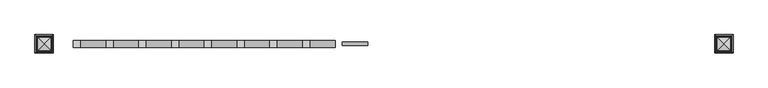
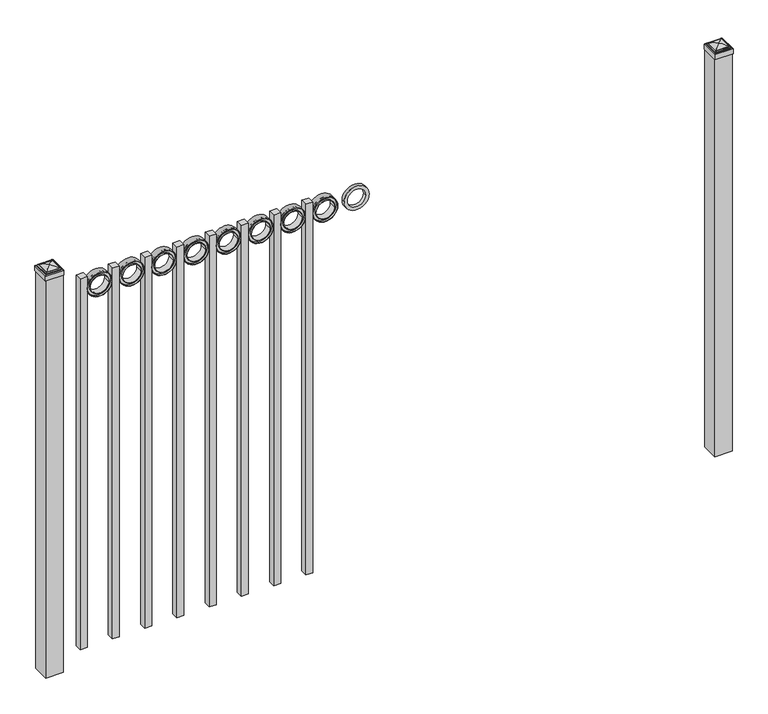
"""IFC4 building model written with IfcOpenShell, lengths in millimetres: railing geometry."""

from ifc_helpers import new_model, si_unit, point, frame, frame_2d, origin, origin_with_axes, place, context, project, spatial, polyline, circle_curve, ellipse_curve, trimmed, segment, composite_curve, outline, extrude, source, transform, mapped, element, save
from ifc_brep_helpers import plane_surface, cylinder_surface, advanced_brep


def railing_87d11154(model_context):
    return source(origin(), model_context, "Body", "SolidModel", [
        extrude(outline(composite_curve([segment(trimmed(circle_curve(frame_2d((1433.8511409, -5077.3911274)), 45.6988591), [point((1433.8511409, -5031.6922684))], [point((1433.8511409, -5123.0899865))], False, "CARTESIAN"), True, "CONTINUOUS"), segment(trimmed(circle_curve(frame_2d((1433.8511409, -5077.3911274)), 45.6988591), [point((1433.8511409, -5123.0899865))], [point((1433.8511409, -5031.6922684))], False, "CARTESIAN"), True, "CONTINUOUS")], self_intersect=False), holes=[composite_curve([segment(trimmed(circle_curve(frame_2d((1433.8511409, -5077.3911274)), 33.0443887), [point((1433.8511409, -5044.3467388))], [point((1433.8511409, -5110.4355161))], True, "CARTESIAN"), True, "CONTINUOUS"), segment(trimmed(circle_curve(frame_2d((1433.8511409, -5077.3911274)), 33.0443887), [point((1433.8511409, -5110.4355161))], [point((1433.8511409, -5044.3467388))], True, "CARTESIAN"), True, "CONTINUOUS")], self_intersect=False)]), frame((0.0, 11886.569541, 0.0), z_axis=(0.0, 1.0, 0.0), x_axis=(0.0, 0.0, 1.0)), (0.0, 0.0, 1.0), 12.7),
        extrude(outline(polyline([(0.0, -1428.75), (0.0, 0.0), (25.4, 0.0), (25.4, -1428.75), (0.0, -1428.75)])), frame((-5240.5649864, 11905.619541, 1479.55), z_axis=(-1.0, 0.0, 2.9043842723434457e-09), x_axis=(0.0, -1.0, 0.0)), (0.0, 0.0, 1.0), 25.4),
        extrude(outline(composite_curve([segment(trimmed(circle_curve(frame_2d((1433.8511409, -5194.8661274)), 45.6988591), [point((1433.8511409, -5149.1672684))], [point((1433.8511409, -5240.5649865))], False, "CARTESIAN"), True, "CONTINUOUS"), segment(trimmed(circle_curve(frame_2d((1433.8511409, -5194.8661274)), 45.6988591), [point((1433.8511409, -5240.5649865))], [point((1433.8511409, -5149.1672684))], False, "CARTESIAN"), True, "CONTINUOUS")], self_intersect=False), holes=[composite_curve([segment(trimmed(circle_curve(frame_2d((1433.8511409, -5194.8661274)), 44.101539), [point((1433.8511409, -5150.7645884))], [point((1433.8511409, -5238.9676665))], True, "CARTESIAN"), True, "CONTINUOUS"), segment(trimmed(circle_curve(frame_2d((1433.8511409, -5194.8661274)), 44.101539), [point((1433.8511409, -5238.9676665))], [point((1433.8511409, -5150.7645884))], True, "CARTESIAN"), True, "CONTINUOUS")], self_intersect=False)]), frame((0.0, 11880.219541, 0.0), z_axis=(0.0, 1.0, 0.0), x_axis=(0.0, 0.0, 1.0)), (0.0, 0.0, 1.0), 25.4),
        extrude(outline(composite_curve([segment(trimmed(circle_curve(frame_2d((1433.8511409, -5194.8661274)), 34.6370762), [point((1433.8511409, -5160.2290512))], [point((1433.8511409, -5229.5032037))], False, "CARTESIAN"), True, "CONTINUOUS"), segment(trimmed(circle_curve(frame_2d((1433.8511409, -5194.8661274)), 34.6370762), [point((1433.8511409, -5229.5032037))], [point((1433.8511409, -5160.2290512))], False, "CARTESIAN"), True, "CONTINUOUS")], self_intersect=False), holes=[composite_curve([segment(trimmed(circle_curve(frame_2d((1433.8511409, -5194.8661274)), 33.0443887), [point((1433.8511409, -5161.8217388))], [point((1433.8511409, -5227.9105161))], True, "CARTESIAN"), True, "CONTINUOUS"), segment(trimmed(circle_curve(frame_2d((1433.8511409, -5194.8661274)), 33.0443887), [point((1433.8511409, -5227.9105161))], [point((1433.8511409, -5161.8217388))], True, "CARTESIAN"), True, "CONTINUOUS")], self_intersect=False)]), frame((0.0, 11880.219541, 0.0), z_axis=(0.0, 1.0, 0.0), x_axis=(0.0, 0.0, 1.0)), (0.0, 0.0, 1.0), 25.4),
        extrude(outline(composite_curve([segment(trimmed(circle_curve(frame_2d((1433.8511409, -5194.8661274)), 45.6988591), [point((1433.8511409, -5149.1672684))], [point((1433.8511409, -5240.5649865))], False, "CARTESIAN"), True, "CONTINUOUS"), segment(trimmed(circle_curve(frame_2d((1433.8511409, -5194.8661274)), 45.6988591), [point((1433.8511409, -5240.5649865))], [point((1433.8511409, -5149.1672684))], False, "CARTESIAN"), True, "CONTINUOUS")], self_intersect=False), holes=[composite_curve([segment(trimmed(circle_curve(frame_2d((1433.8511409, -5194.8661274)), 33.0443887), [point((1433.8511409, -5161.8217388))], [point((1433.8511409, -5227.9105161))], True, "CARTESIAN"), True, "CONTINUOUS"), segment(trimmed(circle_curve(frame_2d((1433.8511409, -5194.8661274)), 33.0443887), [point((1433.8511409, -5227.9105161))], [point((1433.8511409, -5161.8217388))], True, "CARTESIAN"), True, "CONTINUOUS")], self_intersect=False)]), frame((0.0, 11886.569541, 0.0), z_axis=(0.0, 1.0, 0.0), x_axis=(0.0, 0.0, 1.0)), (0.0, 0.0, 1.0), 12.7),
        extrude(outline(polyline([(0.0, -1428.75), (0.0, 0.0), (25.4, 0.0), (25.4, -1428.75), (0.0, -1428.75)])), frame((-5358.0399864, 11905.619541, 1479.55), z_axis=(-1.0, 0.0, 2.9043842723434457e-09), x_axis=(0.0, -1.0, 0.0)), (0.0, 0.0, 1.0), 25.4),
        extrude(outline(composite_curve([segment(trimmed(circle_curve(frame_2d((1433.8511409, -5312.3411274)), 45.6988591), [point((1433.8511409, -5266.6422684))], [point((1433.8511409, -5358.0399865))], False, "CARTESIAN"), True, "CONTINUOUS"), segment(trimmed(circle_curve(frame_2d((1433.8511409, -5312.3411274)), 45.6988591), [point((1433.8511409, -5358.0399865))], [point((1433.8511409, -5266.6422684))], False, "CARTESIAN"), True, "CONTINUOUS")], self_intersect=False), holes=[composite_curve([segment(trimmed(circle_curve(frame_2d((1433.8511409, -5312.3411274)), 44.101539), [point((1433.8511409, -5268.2395884))], [point((1433.8511409, -5356.4426665))], True, "CARTESIAN"), True, "CONTINUOUS"), segment(trimmed(circle_curve(frame_2d((1433.8511409, -5312.3411274)), 44.101539), [point((1433.8511409, -5356.4426665))], [point((1433.8511409, -5268.2395884))], True, "CARTESIAN"), True, "CONTINUOUS")], self_intersect=False)]), frame((0.0, 11880.219541, 0.0), z_axis=(0.0, 1.0, 0.0), x_axis=(0.0, 0.0, 1.0)), (0.0, 0.0, 1.0), 25.4),
        extrude(outline(composite_curve([segment(trimmed(circle_curve(frame_2d((1433.8511409, -5312.3411274)), 34.6370762), [point((1433.8511409, -5277.7040512))], [point((1433.8511409, -5346.9782037))], False, "CARTESIAN"), True, "CONTINUOUS"), segment(trimmed(circle_curve(frame_2d((1433.8511409, -5312.3411274)), 34.6370762), [point((1433.8511409, -5346.9782037))], [point((1433.8511409, -5277.7040512))], False, "CARTESIAN"), True, "CONTINUOUS")], self_intersect=False), holes=[composite_curve([segment(trimmed(circle_curve(frame_2d((1433.8511409, -5312.3411274)), 33.0443887), [point((1433.8511409, -5279.2967388))], [point((1433.8511409, -5345.3855161))], True, "CARTESIAN"), True, "CONTINUOUS"), segment(trimmed(circle_curve(frame_2d((1433.8511409, -5312.3411274)), 33.0443887), [point((1433.8511409, -5345.3855161))], [point((1433.8511409, -5279.2967388))], True, "CARTESIAN"), True, "CONTINUOUS")], self_intersect=False)]), frame((0.0, 11880.219541, 0.0), z_axis=(0.0, 1.0, 0.0), x_axis=(0.0, 0.0, 1.0)), (0.0, 0.0, 1.0), 25.4),
        extrude(outline(composite_curve([segment(trimmed(circle_curve(frame_2d((1433.8511409, -5312.3411274)), 45.6988591), [point((1433.8511409, -5266.6422684))], [point((1433.8511409, -5358.0399865))], False, "CARTESIAN"), True, "CONTINUOUS"), segment(trimmed(circle_curve(frame_2d((1433.8511409, -5312.3411274)), 45.6988591), [point((1433.8511409, -5358.0399865))], [point((1433.8511409, -5266.6422684))], False, "CARTESIAN"), True, "CONTINUOUS")], self_intersect=False), holes=[composite_curve([segment(trimmed(circle_curve(frame_2d((1433.8511409, -5312.3411274)), 33.0443887), [point((1433.8511409, -5279.2967388))], [point((1433.8511409, -5345.3855161))], True, "CARTESIAN"), True, "CONTINUOUS"), segment(trimmed(circle_curve(frame_2d((1433.8511409, -5312.3411274)), 33.0443887), [point((1433.8511409, -5345.3855161))], [point((1433.8511409, -5279.2967388))], True, "CARTESIAN"), True, "CONTINUOUS")], self_intersect=False)]), frame((0.0, 11886.569541, 0.0), z_axis=(0.0, 1.0, 0.0), x_axis=(0.0, 0.0, 1.0)), (0.0, 0.0, 1.0), 12.7),
        extrude(outline(polyline([(0.0, -1428.75), (0.0, 0.0), (25.4, 0.0), (25.4, -1428.75), (0.0, -1428.75)])), frame((-5475.5149864, 11905.619541, 1479.55), z_axis=(-1.0, 0.0, 2.9043842723434457e-09), x_axis=(0.0, -1.0, 0.0)), (0.0, 0.0, 1.0), 25.4),
        extrude(outline(composite_curve([segment(trimmed(circle_curve(frame_2d((1433.8511409, -5429.8161274)), 45.6988591), [point((1433.8511409, -5384.1172684))], [point((1433.8511409, -5475.5149865))], False, "CARTESIAN"), True, "CONTINUOUS"), segment(trimmed(circle_curve(frame_2d((1433.8511409, -5429.8161274)), 45.6988591), [point((1433.8511409, -5475.5149865))], [point((1433.8511409, -5384.1172684))], False, "CARTESIAN"), True, "CONTINUOUS")], self_intersect=False), holes=[composite_curve([segment(trimmed(circle_curve(frame_2d((1433.8511409, -5429.8161274)), 44.101539), [point((1433.8511409, -5385.7145884))], [point((1433.8511409, -5473.9176665))], True, "CARTESIAN"), True, "CONTINUOUS"), segment(trimmed(circle_curve(frame_2d((1433.8511409, -5429.8161274)), 44.101539), [point((1433.8511409, -5473.9176665))], [point((1433.8511409, -5385.7145884))], True, "CARTESIAN"), True, "CONTINUOUS")], self_intersect=False)]), frame((0.0, 11880.219541, 0.0), z_axis=(0.0, 1.0, 0.0), x_axis=(0.0, 0.0, 1.0)), (0.0, 0.0, 1.0), 25.4),
        extrude(outline(composite_curve([segment(trimmed(circle_curve(frame_2d((1433.8511409, -5429.8161274)), 34.6370762), [point((1433.8511409, -5395.1790512))], [point((1433.8511409, -5464.4532037))], False, "CARTESIAN"), True, "CONTINUOUS"), segment(trimmed(circle_curve(frame_2d((1433.8511409, -5429.8161274)), 34.6370762), [point((1433.8511409, -5464.4532037))], [point((1433.8511409, -5395.1790512))], False, "CARTESIAN"), True, "CONTINUOUS")], self_intersect=False), holes=[composite_curve([segment(trimmed(circle_curve(frame_2d((1433.8511409, -5429.8161274)), 33.0443887), [point((1433.8511409, -5396.7717388))], [point((1433.8511409, -5462.8605161))], True, "CARTESIAN"), True, "CONTINUOUS"), segment(trimmed(circle_curve(frame_2d((1433.8511409, -5429.8161274)), 33.0443887), [point((1433.8511409, -5462.8605161))], [point((1433.8511409, -5396.7717388))], True, "CARTESIAN"), True, "CONTINUOUS")], self_intersect=False)]), frame((0.0, 11880.219541, 0.0), z_axis=(0.0, 1.0, 0.0), x_axis=(0.0, 0.0, 1.0)), (0.0, 0.0, 1.0), 25.4),
        extrude(outline(composite_curve([segment(trimmed(circle_curve(frame_2d((1433.8511409, -5429.8161274)), 45.6988591), [point((1433.8511409, -5384.1172684))], [point((1433.8511409, -5475.5149865))], False, "CARTESIAN"), True, "CONTINUOUS"), segment(trimmed(circle_curve(frame_2d((1433.8511409, -5429.8161274)), 45.6988591), [point((1433.8511409, -5475.5149865))], [point((1433.8511409, -5384.1172684))], False, "CARTESIAN"), True, "CONTINUOUS")], self_intersect=False), holes=[composite_curve([segment(trimmed(circle_curve(frame_2d((1433.8511409, -5429.8161274)), 33.0443887), [point((1433.8511409, -5396.7717388))], [point((1433.8511409, -5462.8605161))], True, "CARTESIAN"), True, "CONTINUOUS"), segment(trimmed(circle_curve(frame_2d((1433.8511409, -5429.8161274)), 33.0443887), [point((1433.8511409, -5462.8605161))], [point((1433.8511409, -5396.7717388))], True, "CARTESIAN"), True, "CONTINUOUS")], self_intersect=False)]), frame((0.0, 11886.569541, 0.0), z_axis=(0.0, 1.0, 0.0), x_axis=(0.0, 0.0, 1.0)), (0.0, 0.0, 1.0), 12.7),
        extrude(outline(polyline([(0.0, -1428.75), (0.0, 0.0), (25.4, 0.0), (25.4, -1428.75), (0.0, -1428.75)])), frame((-5592.9899864, 11905.619541, 1479.55), z_axis=(-1.0, 0.0, 2.9043842723434457e-09), x_axis=(0.0, -1.0, 0.0)), (0.0, 0.0, 1.0), 25.4),
        extrude(outline(composite_curve([segment(trimmed(circle_curve(frame_2d((1433.8511409, -5547.2911274)), 45.6988591), [point((1433.8511409, -5501.5922684))], [point((1433.8511409, -5592.9899865))], False, "CARTESIAN"), True, "CONTINUOUS"), segment(trimmed(circle_curve(frame_2d((1433.8511409, -5547.2911274)), 45.6988591), [point((1433.8511409, -5592.9899865))], [point((1433.8511409, -5501.5922684))], False, "CARTESIAN"), True, "CONTINUOUS")], self_intersect=False), holes=[composite_curve([segment(trimmed(circle_curve(frame_2d((1433.8511409, -5547.2911274)), 44.101539), [point((1433.8511409, -5503.1895884))], [point((1433.8511409, -5591.3926665))], True, "CARTESIAN"), True, "CONTINUOUS"), segment(trimmed(circle_curve(frame_2d((1433.8511409, -5547.2911274)), 44.101539), [point((1433.8511409, -5591.3926665))], [point((1433.8511409, -5503.1895884))], True, "CARTESIAN"), True, "CONTINUOUS")], self_intersect=False)]), frame((0.0, 11880.219541, 0.0), z_axis=(0.0, 1.0, 0.0), x_axis=(0.0, 0.0, 1.0)), (0.0, 0.0, 1.0), 25.4),
        extrude(outline(composite_curve([segment(trimmed(circle_curve(frame_2d((1433.8511409, -5547.2911274)), 34.6370762), [point((1433.8511409, -5512.6540512))], [point((1433.8511409, -5581.9282037))], False, "CARTESIAN"), True, "CONTINUOUS"), segment(trimmed(circle_curve(frame_2d((1433.8511409, -5547.2911274)), 34.6370762), [point((1433.8511409, -5581.9282037))], [point((1433.8511409, -5512.6540512))], False, "CARTESIAN"), True, "CONTINUOUS")], self_intersect=False), holes=[composite_curve([segment(trimmed(circle_curve(frame_2d((1433.8511409, -5547.2911274)), 33.0443887), [point((1433.8511409, -5514.2467388))], [point((1433.8511409, -5580.3355161))], True, "CARTESIAN"), True, "CONTINUOUS"), segment(trimmed(circle_curve(frame_2d((1433.8511409, -5547.2911274)), 33.0443887), [point((1433.8511409, -5580.3355161))], [point((1433.8511409, -5514.2467388))], True, "CARTESIAN"), True, "CONTINUOUS")], self_intersect=False)]), frame((0.0, 11880.219541, 0.0), z_axis=(0.0, 1.0, 0.0), x_axis=(0.0, 0.0, 1.0)), (0.0, 0.0, 1.0), 25.4),
        extrude(outline(composite_curve([segment(trimmed(circle_curve(frame_2d((1433.8511409, -5547.2911274)), 45.6988591), [point((1433.8511409, -5501.5922684))], [point((1433.8511409, -5592.9899865))], False, "CARTESIAN"), True, "CONTINUOUS"), segment(trimmed(circle_curve(frame_2d((1433.8511409, -5547.2911274)), 45.6988591), [point((1433.8511409, -5592.9899865))], [point((1433.8511409, -5501.5922684))], False, "CARTESIAN"), True, "CONTINUOUS")], self_intersect=False), holes=[composite_curve([segment(trimmed(circle_curve(frame_2d((1433.8511409, -5547.2911274)), 33.0443887), [point((1433.8511409, -5514.2467388))], [point((1433.8511409, -5580.3355161))], True, "CARTESIAN"), True, "CONTINUOUS"), segment(trimmed(circle_curve(frame_2d((1433.8511409, -5547.2911274)), 33.0443887), [point((1433.8511409, -5580.3355161))], [point((1433.8511409, -5514.2467388))], True, "CARTESIAN"), True, "CONTINUOUS")], self_intersect=False)]), frame((0.0, 11886.569541, 0.0), z_axis=(0.0, 1.0, 0.0), x_axis=(0.0, 0.0, 1.0)), (0.0, 0.0, 1.0), 12.7),
        extrude(outline(polyline([(0.0, -1428.75), (0.0, 0.0), (25.4, 0.0), (25.4, -1428.75), (0.0, -1428.75)])), frame((-5710.4649864, 11905.619541, 1479.55), z_axis=(-1.0, 0.0, 2.9043842723434457e-09), x_axis=(0.0, -1.0, 0.0)), (0.0, 0.0, 1.0), 25.4),
        extrude(outline(composite_curve([segment(trimmed(circle_curve(frame_2d((1433.8511409, -5664.7661274)), 45.6988591), [point((1433.8511409, -5619.0672684))], [point((1433.8511409, -5710.4649865))], False, "CARTESIAN"), True, "CONTINUOUS"), segment(trimmed(circle_curve(frame_2d((1433.8511409, -5664.7661274)), 45.6988591), [point((1433.8511409, -5710.4649865))], [point((1433.8511409, -5619.0672684))], False, "CARTESIAN"), True, "CONTINUOUS")], self_intersect=False), holes=[composite_curve([segment(trimmed(circle_curve(frame_2d((1433.8511409, -5664.7661274)), 44.101539), [point((1433.8511409, -5620.6645884))], [point((1433.8511409, -5708.8676665))], True, "CARTESIAN"), True, "CONTINUOUS"), segment(trimmed(circle_curve(frame_2d((1433.8511409, -5664.7661274)), 44.101539), [point((1433.8511409, -5708.8676665))], [point((1433.8511409, -5620.6645884))], True, "CARTESIAN"), True, "CONTINUOUS")], self_intersect=False)]), frame((0.0, 11880.219541, 0.0), z_axis=(0.0, 1.0, 0.0), x_axis=(0.0, 0.0, 1.0)), (0.0, 0.0, 1.0), 25.4),
        extrude(outline(composite_curve([segment(trimmed(circle_curve(frame_2d((1433.8511409, -5664.7661274)), 34.6370762), [point((1433.8511409, -5630.1290512))], [point((1433.8511409, -5699.4032037))], False, "CARTESIAN"), True, "CONTINUOUS"), segment(trimmed(circle_curve(frame_2d((1433.8511409, -5664.7661274)), 34.6370762), [point((1433.8511409, -5699.4032037))], [point((1433.8511409, -5630.1290512))], False, "CARTESIAN"), True, "CONTINUOUS")], self_intersect=False), holes=[composite_curve([segment(trimmed(circle_curve(frame_2d((1433.8511409, -5664.7661274)), 33.0443887), [point((1433.8511409, -5631.7217388))], [point((1433.8511409, -5697.8105161))], True, "CARTESIAN"), True, "CONTINUOUS"), segment(trimmed(circle_curve(frame_2d((1433.8511409, -5664.7661274)), 33.0443887), [point((1433.8511409, -5697.8105161))], [point((1433.8511409, -5631.7217388))], True, "CARTESIAN"), True, "CONTINUOUS")], self_intersect=False)]), frame((0.0, 11880.219541, 0.0), z_axis=(0.0, 1.0, 0.0), x_axis=(0.0, 0.0, 1.0)), (0.0, 0.0, 1.0), 25.4),
        extrude(outline(composite_curve([segment(trimmed(circle_curve(frame_2d((1433.8511409, -5664.7661274)), 45.6988591), [point((1433.8511409, -5619.0672684))], [point((1433.8511409, -5710.4649865))], False, "CARTESIAN"), True, "CONTINUOUS"), segment(trimmed(circle_curve(frame_2d((1433.8511409, -5664.7661274)), 45.6988591), [point((1433.8511409, -5710.4649865))], [point((1433.8511409, -5619.0672684))], False, "CARTESIAN"), True, "CONTINUOUS")], self_intersect=False), holes=[composite_curve([segment(trimmed(circle_curve(frame_2d((1433.8511409, -5664.7661274)), 33.0443887), [point((1433.8511409, -5631.7217388))], [point((1433.8511409, -5697.8105161))], True, "CARTESIAN"), True, "CONTINUOUS"), segment(trimmed(circle_curve(frame_2d((1433.8511409, -5664.7661274)), 33.0443887), [point((1433.8511409, -5697.8105161))], [point((1433.8511409, -5631.7217388))], True, "CARTESIAN"), True, "CONTINUOUS")], self_intersect=False)]), frame((0.0, 11886.569541, 0.0), z_axis=(0.0, 1.0, 0.0), x_axis=(0.0, 0.0, 1.0)), (0.0, 0.0, 1.0), 12.7),
        extrude(outline(polyline([(0.0, -1428.75), (0.0, 0.0), (25.4, 0.0), (25.4, -1428.75), (0.0, -1428.75)])), frame((-5827.9399864, 11905.619541, 1479.55), z_axis=(-1.0, 0.0, 2.9043842723434457e-09), x_axis=(0.0, -1.0, 0.0)), (0.0, 0.0, 1.0), 25.4),
        extrude(outline(composite_curve([segment(trimmed(circle_curve(frame_2d((1433.8511409, -5782.2411274)), 45.6988591), [point((1433.8511409, -5736.5422684))], [point((1433.8511409, -5827.9399865))], False, "CARTESIAN"), True, "CONTINUOUS"), segment(trimmed(circle_curve(frame_2d((1433.8511409, -5782.2411274)), 45.6988591), [point((1433.8511409, -5827.9399865))], [point((1433.8511409, -5736.5422684))], False, "CARTESIAN"), True, "CONTINUOUS")], self_intersect=False), holes=[composite_curve([segment(trimmed(circle_curve(frame_2d((1433.8511409, -5782.2411274)), 44.101539), [point((1433.8511409, -5738.1395884))], [point((1433.8511409, -5826.3426665))], True, "CARTESIAN"), True, "CONTINUOUS"), segment(trimmed(circle_curve(frame_2d((1433.8511409, -5782.2411274)), 44.101539), [point((1433.8511409, -5826.3426665))], [point((1433.8511409, -5738.1395884))], True, "CARTESIAN"), True, "CONTINUOUS")], self_intersect=False)]), frame((0.0, 11880.219541, 0.0), z_axis=(0.0, 1.0, 0.0), x_axis=(0.0, 0.0, 1.0)), (0.0, 0.0, 1.0), 25.4),
        extrude(outline(composite_curve([segment(trimmed(circle_curve(frame_2d((1433.8511409, -5782.2411274)), 34.6370762), [point((1433.8511409, -5747.6040512))], [point((1433.8511409, -5816.8782037))], False, "CARTESIAN"), True, "CONTINUOUS"), segment(trimmed(circle_curve(frame_2d((1433.8511409, -5782.2411274)), 34.6370762), [point((1433.8511409, -5816.8782037))], [point((1433.8511409, -5747.6040512))], False, "CARTESIAN"), True, "CONTINUOUS")], self_intersect=False), holes=[composite_curve([segment(trimmed(circle_curve(frame_2d((1433.8511409, -5782.2411274)), 33.0443887), [point((1433.8511409, -5749.1967388))], [point((1433.8511409, -5815.2855161))], True, "CARTESIAN"), True, "CONTINUOUS"), segment(trimmed(circle_curve(frame_2d((1433.8511409, -5782.2411274)), 33.0443887), [point((1433.8511409, -5815.2855161))], [point((1433.8511409, -5749.1967388))], True, "CARTESIAN"), True, "CONTINUOUS")], self_intersect=False)]), frame((0.0, 11880.219541, 0.0), z_axis=(0.0, 1.0, 0.0), x_axis=(0.0, 0.0, 1.0)), (0.0, 0.0, 1.0), 25.4),
        extrude(outline(composite_curve([segment(trimmed(circle_curve(frame_2d((1433.8511409, -5782.2411274)), 45.6988591), [point((1433.8511409, -5736.5422684))], [point((1433.8511409, -5827.9399865))], False, "CARTESIAN"), True, "CONTINUOUS"), segment(trimmed(circle_curve(frame_2d((1433.8511409, -5782.2411274)), 45.6988591), [point((1433.8511409, -5827.9399865))], [point((1433.8511409, -5736.5422684))], False, "CARTESIAN"), True, "CONTINUOUS")], self_intersect=False), holes=[composite_curve([segment(trimmed(circle_curve(frame_2d((1433.8511409, -5782.2411274)), 33.0443887), [point((1433.8511409, -5749.1967388))], [point((1433.8511409, -5815.2855161))], True, "CARTESIAN"), True, "CONTINUOUS"), segment(trimmed(circle_curve(frame_2d((1433.8511409, -5782.2411274)), 33.0443887), [point((1433.8511409, -5815.2855161))], [point((1433.8511409, -5749.1967388))], True, "CARTESIAN"), True, "CONTINUOUS")], self_intersect=False)]), frame((0.0, 11886.569541, 0.0), z_axis=(0.0, 1.0, 0.0), x_axis=(0.0, 0.0, 1.0)), (0.0, 0.0, 1.0), 12.7),
        extrude(outline(polyline([(0.0, -1428.75), (0.0, 0.0), (25.4, 0.0), (25.4, -1428.75), (0.0, -1428.75)])), frame((-5945.4149864, 11905.619541, 1479.55), z_axis=(-1.0, 0.0, 2.9043842723434457e-09), x_axis=(0.0, -1.0, 0.0)), (0.0, 0.0, 1.0), 25.4),
        extrude(outline(composite_curve([segment(trimmed(circle_curve(frame_2d((1433.8511409, -5899.7161274)), 45.6988591), [point((1433.8511409, -5854.0172684))], [point((1433.8511409, -5945.4149865))], False, "CARTESIAN"), True, "CONTINUOUS"), segment(trimmed(circle_curve(frame_2d((1433.8511409, -5899.7161274)), 45.6988591), [point((1433.8511409, -5945.4149865))], [point((1433.8511409, -5854.0172684))], False, "CARTESIAN"), True, "CONTINUOUS")], self_intersect=False), holes=[composite_curve([segment(trimmed(circle_curve(frame_2d((1433.8511409, -5899.7161274)), 44.101539), [point((1433.8511409, -5855.6145884))], [point((1433.8511409, -5943.8176665))], True, "CARTESIAN"), True, "CONTINUOUS"), segment(trimmed(circle_curve(frame_2d((1433.8511409, -5899.7161274)), 44.101539), [point((1433.8511409, -5943.8176665))], [point((1433.8511409, -5855.6145884))], True, "CARTESIAN"), True, "CONTINUOUS")], self_intersect=False)]), frame((0.0, 11880.219541, 0.0), z_axis=(0.0, 1.0, 0.0), x_axis=(0.0, 0.0, 1.0)), (0.0, 0.0, 1.0), 25.4),
        extrude(outline(composite_curve([segment(trimmed(circle_curve(frame_2d((1433.8511409, -5899.7161274)), 34.6370762), [point((1433.8511409, -5865.0790512))], [point((1433.8511409, -5934.3532037))], False, "CARTESIAN"), True, "CONTINUOUS"), segment(trimmed(circle_curve(frame_2d((1433.8511409, -5899.7161274)), 34.6370762), [point((1433.8511409, -5934.3532037))], [point((1433.8511409, -5865.0790512))], False, "CARTESIAN"), True, "CONTINUOUS")], self_intersect=False), holes=[composite_curve([segment(trimmed(circle_curve(frame_2d((1433.8511409, -5899.7161274)), 33.0443887), [point((1433.8511409, -5866.6717388))], [point((1433.8511409, -5932.7605161))], True, "CARTESIAN"), True, "CONTINUOUS"), segment(trimmed(circle_curve(frame_2d((1433.8511409, -5899.7161274)), 33.0443887), [point((1433.8511409, -5932.7605161))], [point((1433.8511409, -5866.6717388))], True, "CARTESIAN"), True, "CONTINUOUS")], self_intersect=False)]), frame((0.0, 11880.219541, 0.0), z_axis=(0.0, 1.0, 0.0), x_axis=(0.0, 0.0, 1.0)), (0.0, 0.0, 1.0), 25.4),
        extrude(outline(composite_curve([segment(trimmed(circle_curve(frame_2d((1433.8511409, -5899.7161274)), 45.6988591), [point((1433.8511409, -5854.0172684))], [point((1433.8511409, -5945.4149865))], False, "CARTESIAN"), True, "CONTINUOUS"), segment(trimmed(circle_curve(frame_2d((1433.8511409, -5899.7161274)), 45.6988591), [point((1433.8511409, -5945.4149865))], [point((1433.8511409, -5854.0172684))], False, "CARTESIAN"), True, "CONTINUOUS")], self_intersect=False), holes=[composite_curve([segment(trimmed(circle_curve(frame_2d((1433.8511409, -5899.7161274)), 33.0443887), [point((1433.8511409, -5866.6717388))], [point((1433.8511409, -5932.7605161))], True, "CARTESIAN"), True, "CONTINUOUS"), segment(trimmed(circle_curve(frame_2d((1433.8511409, -5899.7161274)), 33.0443887), [point((1433.8511409, -5932.7605161))], [point((1433.8511409, -5866.6717388))], True, "CARTESIAN"), True, "CONTINUOUS")], self_intersect=False)]), frame((0.0, 11886.569541, 0.0), z_axis=(0.0, 1.0, 0.0), x_axis=(0.0, 0.0, 1.0)), (0.0, 0.0, 1.0), 12.7),
        extrude(outline(polyline([(0.0, -1428.75), (0.0, 0.0), (25.4, 0.0), (25.4, -1428.75), (0.0, -1428.75)])), frame((-6062.8899864, 11905.619541, 1479.55), z_axis=(-1.0, 0.0, 2.9043842723434457e-09), x_axis=(0.0, -1.0, 0.0)), (0.0, 0.0, 1.0), 25.4),
        extrude(outline(composite_curve([segment(trimmed(circle_curve(frame_2d((1433.8511409, -6017.1911274)), 45.6988591), [point((1433.8511409, -5971.4922684))], [point((1433.8511409, -6062.8899865))], False, "CARTESIAN"), True, "CONTINUOUS"), segment(trimmed(circle_curve(frame_2d((1433.8511409, -6017.1911274)), 45.6988591), [point((1433.8511409, -6062.8899865))], [point((1433.8511409, -5971.4922684))], False, "CARTESIAN"), True, "CONTINUOUS")], self_intersect=False), holes=[composite_curve([segment(trimmed(circle_curve(frame_2d((1433.8511409, -6017.1911274)), 44.101539), [point((1433.8511409, -5973.0895884))], [point((1433.8511409, -6061.2926665))], True, "CARTESIAN"), True, "CONTINUOUS"), segment(trimmed(circle_curve(frame_2d((1433.8511409, -6017.1911274)), 44.101539), [point((1433.8511409, -6061.2926665))], [point((1433.8511409, -5973.0895884))], True, "CARTESIAN"), True, "CONTINUOUS")], self_intersect=False)]), frame((0.0, 11880.219541, 0.0), z_axis=(0.0, 1.0, 0.0), x_axis=(0.0, 0.0, 1.0)), (0.0, 0.0, 1.0), 25.4),
        extrude(outline(composite_curve([segment(trimmed(circle_curve(frame_2d((1433.8511409, -6017.1911274)), 34.6370762), [point((1433.8511409, -5982.5540512))], [point((1433.8511409, -6051.8282037))], False, "CARTESIAN"), True, "CONTINUOUS"), segment(trimmed(circle_curve(frame_2d((1433.8511409, -6017.1911274)), 34.6370762), [point((1433.8511409, -6051.8282037))], [point((1433.8511409, -5982.5540512))], False, "CARTESIAN"), True, "CONTINUOUS")], self_intersect=False), holes=[composite_curve([segment(trimmed(circle_curve(frame_2d((1433.8511409, -6017.1911274)), 33.0443887), [point((1433.8511409, -5984.1467388))], [point((1433.8511409, -6050.2355161))], True, "CARTESIAN"), True, "CONTINUOUS"), segment(trimmed(circle_curve(frame_2d((1433.8511409, -6017.1911274)), 33.0443887), [point((1433.8511409, -6050.2355161))], [point((1433.8511409, -5984.1467388))], True, "CARTESIAN"), True, "CONTINUOUS")], self_intersect=False)]), frame((0.0, 11880.219541, 0.0), z_axis=(0.0, 1.0, 0.0), x_axis=(0.0, 0.0, 1.0)), (0.0, 0.0, 1.0), 25.4),
        extrude(outline(composite_curve([segment(trimmed(circle_curve(frame_2d((1433.8511409, -6017.1911274)), 45.6988591), [point((1433.8511409, -5971.4922684))], [point((1433.8511409, -6062.8899865))], False, "CARTESIAN"), True, "CONTINUOUS"), segment(trimmed(circle_curve(frame_2d((1433.8511409, -6017.1911274)), 45.6988591), [point((1433.8511409, -6062.8899865))], [point((1433.8511409, -5971.4922684))], False, "CARTESIAN"), True, "CONTINUOUS")], self_intersect=False), holes=[composite_curve([segment(trimmed(circle_curve(frame_2d((1433.8511409, -6017.1911274)), 33.0443887), [point((1433.8511409, -5984.1467388))], [point((1433.8511409, -6050.2355161))], True, "CARTESIAN"), True, "CONTINUOUS"), segment(trimmed(circle_curve(frame_2d((1433.8511409, -6017.1911274)), 33.0443887), [point((1433.8511409, -6050.2355161))], [point((1433.8511409, -5984.1467388))], True, "CARTESIAN"), True, "CONTINUOUS")], self_intersect=False)]), frame((0.0, 11886.569541, 0.0), z_axis=(0.0, 1.0, 0.0), x_axis=(0.0, 0.0, 1.0)), (0.0, 0.0, 1.0), 12.7),
        extrude(outline(polyline([(-3722.9149936, 11924.669541), (-3722.9149936, 11861.169541), (-3786.4149936, 11861.169541), (-3786.4149936, 11924.669541), (-3722.9149936, 11924.669541)])), origin_with_axes(), (0.0, 0.0, 1.0), 1531.9375),
        advanced_brep(
        [(-3788.0024936, 11926.257041, 1550.19375), (-3788.0024936, 11926.257041, 1531.9375), (-3788.0024936, 11859.582041, 1531.9375), (-3788.0024936, 11859.582041, 1550.19375), (-3785.6212436, 11923.875791, 1552.575), (-3785.6212436, 11861.963291, 1552.575), (-3783.2399936, 11921.494541, 1554.95625), (-3783.2399936, 11921.494541, 1552.575), (-3783.2399936, 11864.344541, 1552.575), (-3783.2399936, 11864.344541, 1554.95625), (-3780.8587436, 11919.113291, 1557.3375), (-3780.8587436, 11866.725791, 1557.3375), (-3754.6649936, 11892.919541, 1563.6875), (-3778.4774936, 11916.732041, 1557.3375), (-3778.4774936, 11869.107041, 1557.3375), (-3721.3274936, 11859.582041, 1531.9375), (-3721.3274936, 11859.582041, 1550.19375), (-3723.7087436, 11861.963291, 1552.575), (-3726.0899936, 11864.344541, 1552.575), (-3726.0899936, 11864.344541, 1554.95625), (-3728.4712436, 11866.725791, 1557.3375), (-3730.8524936, 11869.107041, 1557.3375), (-3721.3274936, 11926.257041, 1531.9375), (-3721.3274936, 11926.257041, 1550.19375), (-3723.7087436, 11923.875791, 1552.575), (-3726.0899936, 11921.494541, 1552.575), (-3726.0899936, 11921.494541, 1554.95625), (-3728.4712436, 11919.113291, 1557.3375), (-3730.8524936, 11916.732041, 1557.3375)],
        [
            (0, 1),
            (1, 2),
            (2, 3),
            (3, 0),
            (4, 0, ellipse_curve(frame((-3785.6212436, 11923.875791, 1550.19375), z_axis=(-0.70710678118655, -0.7071067811865449, 0.0), x_axis=(-0.7071067811865448, 0.7071067811865501, 0.0)), 3.367596, 2.38125)),
            (3, 5, ellipse_curve(frame((-3785.6212436, 11861.963291, 1550.19375), z_axis=(-0.7071067811865449, 0.70710678118655, 0.0), x_axis=(0.7071067811865499, 0.707106781186545, 0.0)), 3.367596, 2.38125)),
            (5, 4),
            (6, 7),
            (7, 8),
            (8, 9),
            (9, 6),
            (10, 6, ellipse_curve(frame((-3780.8587436, 11919.113291, 1554.95625), z_axis=(-0.70710678118655, -0.7071067811865449, 0.0), x_axis=(-0.7071067811865448, 0.7071067811865501, 0.0)), 3.367596, 2.38125)),
            (9, 11, ellipse_curve(frame((-3780.8587436, 11866.725791, 1554.95625), z_axis=(-0.7071067811865449, 0.70710678118655, 0.0), x_axis=(0.7071067811865499, 0.707106781186545, 0.0)), 3.367596, 2.38125)),
            (11, 10),
            (12, 13, ellipse_curve(frame((-3754.6649936, 11892.919541, 1515.8640625), z_axis=(-0.70710678118655, -0.7071067811865449, 0.0), x_axis=(-0.7071067811865448, 0.7071067811865501, 0.0)), 67.6325539, 47.8234375)),
            (13, 14),
            (14, 12, ellipse_curve(frame((-3754.6649936, 11892.919541, 1515.8640625), z_axis=(-0.7071067811865449, 0.70710678118655, 0.0), x_axis=(0.7071067811865499, 0.707106781186545, 0.0)), 67.6325539, 47.8234375)),
            (2, 15),
            (15, 16),
            (16, 3),
            (16, 17, ellipse_curve(frame((-3723.7087436, 11861.963291, 1550.19375), z_axis=(-0.70710678118655, -0.707106781186545, 0.0), x_axis=(-0.707106781186545, 0.70710678118655, 0.0)), 3.367596, 2.38125)),
            (17, 5),
            (8, 18),
            (18, 19),
            (19, 9),
            (19, 20, ellipse_curve(frame((-3728.4712436, 11866.725791, 1554.95625), z_axis=(-0.70710678118655, -0.707106781186545, 0.0), x_axis=(-0.707106781186545, 0.70710678118655, 0.0)), 3.367596, 2.38125)),
            (20, 11),
            (14, 21),
            (21, 12, ellipse_curve(frame((-3754.6649936, 11892.919541, 1515.8640625), z_axis=(-0.70710678118655, -0.707106781186545, 0.0), x_axis=(-0.707106781186545, 0.70710678118655, 0.0)), 67.6325539, 47.8234375)),
            (15, 22),
            (22, 23),
            (23, 16),
            (23, 24, ellipse_curve(frame((-3723.7087436, 11923.875791, 1550.19375), z_axis=(0.707106781186545, -0.7071067811865499, 0.0), x_axis=(-0.7071067811865497, -0.7071067811865452, 0.0)), 3.367596, 2.38125)),
            (24, 17),
            (18, 25),
            (25, 26),
            (26, 19),
            (26, 27, ellipse_curve(frame((-3728.4712436, 11919.113291, 1554.95625), z_axis=(0.707106781186545, -0.7071067811865499, 0.0), x_axis=(-0.7071067811865497, -0.7071067811865452, 0.0)), 3.367596, 2.38125)),
            (27, 20),
            (21, 28),
            (28, 12, ellipse_curve(frame((-3754.6649936, 11892.919541, 1515.8640625), z_axis=(0.707106781186545, -0.7071067811865499, 0.0), x_axis=(-0.7071067811865497, -0.7071067811865452, 0.0)), 67.6325539, 47.8234375)),
            (22, 1),
            (0, 23),
            (4, 24),
            (7, 25),
            (6, 26),
            (10, 27),
            (13, 28),
        ],
        [
            plane_surface(frame((-3788.0024936, 11926.257041, 1531.9375), z_axis=(-1.0, 0.0, 0.0), x_axis=(0.0, -1.0, 0.0))),
            cylinder_surface(frame((-3785.6212436, 11924.669541, 1550.19375), z_axis=(0.0, 1.0, 0.0), x_axis=(1.0, 0.0, 0.0)), 2.38125),
            plane_surface(frame((-3783.2399936, 11921.494541, 1552.575), z_axis=(-1.0, 0.0, 0.0), x_axis=(0.0, -1.0, 0.0))),
            cylinder_surface(frame((-3780.8587436, 11924.669541, 1554.95625), z_axis=(0.0, 1.0, 0.0), x_axis=(1.0, 0.0, 0.0)), 2.38125),
            cylinder_surface(frame((-3754.6649936, 11924.669541, 1515.8640625), z_axis=(0.0, 1.0, 0.0), x_axis=(1.0, 0.0, 0.0)), 47.8234375),
            plane_surface(frame((-3788.0024936, 11859.582041, 1531.9375), z_axis=(0.0, -1.0, 0.0), x_axis=(1.0, 0.0, 0.0))),
            cylinder_surface(frame((-3786.4149936, 11861.963291, 1550.19375), z_axis=(-1.0, 0.0, 0.0), x_axis=(0.0, 1.0, 0.0)), 2.38125),
            plane_surface(frame((-3783.2399936, 11864.344541, 1552.575), z_axis=(0.0, -1.0, 0.0), x_axis=(1.0, 0.0, 0.0))),
            cylinder_surface(frame((-3786.4149936, 11866.725791, 1554.95625), z_axis=(-1.0, 0.0, 0.0), x_axis=(0.0, 1.0, 0.0)), 2.38125),
            cylinder_surface(frame((-3786.4149936, 11892.919541, 1515.8640625), z_axis=(-1.0, 0.0, 0.0), x_axis=(0.0, 1.0, 0.0)), 47.8234375),
            plane_surface(frame((-3721.3274936, 11859.582041, 1531.9375), z_axis=(1.0, 0.0, 0.0), x_axis=(0.0, 1.0, 0.0))),
            cylinder_surface(frame((-3723.7087436, 11861.169541, 1550.19375), z_axis=(0.0, -1.0, 0.0), x_axis=(-1.0, 0.0, 0.0)), 2.38125),
            plane_surface(frame((-3726.0899936, 11864.344541, 1552.575), z_axis=(1.0, 0.0, 0.0), x_axis=(0.0, 1.0, 0.0))),
            cylinder_surface(frame((-3728.4712436, 11861.169541, 1554.95625), z_axis=(0.0, -1.0, 0.0), x_axis=(-1.0, 0.0, 0.0)), 2.38125),
            cylinder_surface(frame((-3754.6649936, 11861.169541, 1515.8640625), z_axis=(0.0, -1.0, 0.0), x_axis=(-1.0, 0.0, 0.0)), 47.8234375),
            plane_surface(frame((-3721.3274936, 11926.257041, 1531.9375), z_axis=(0.0, 1.0, 0.0), x_axis=(-1.0, 0.0, 0.0))),
            cylinder_surface(frame((-3722.9149936, 11923.875791, 1550.19375), z_axis=(1.0, 0.0, 0.0), x_axis=(0.0, -1.0, 0.0)), 2.38125),
            plane_surface(frame((-3723.7087436, 11923.875791, 1552.575), z_axis=(0.0, 0.0, 1.0), x_axis=(-1.0, 0.0, 0.0))),
            plane_surface(frame((-3726.0899936, 11921.494541, 1552.575), z_axis=(0.0, 1.0, 0.0), x_axis=(-1.0, 0.0, 0.0))),
            cylinder_surface(frame((-3722.9149936, 11919.113291, 1554.95625), z_axis=(1.0, 0.0, 0.0), x_axis=(0.0, -1.0, 0.0)), 2.38125),
            plane_surface(frame((-3728.4712436, 11919.113291, 1557.3375), z_axis=(0.0, 0.0, 1.0), x_axis=(-1.0, 0.0, 0.0))),
            cylinder_surface(frame((-3722.9149936, 11892.919541, 1515.8640625), z_axis=(1.0, 0.0, 0.0), x_axis=(0.0, -1.0, 0.0)), 47.8234375),
            plane_surface(frame((-3754.6649936, 11892.919541, 1531.9375), z_axis=(0.0, 0.0, -1.0), x_axis=(-1.0, 0.0, 0.0))),
        ],
        [
            (0, [[1, 2, 3, 4]]),
            (1, [[5, -4, 6, 7]]),
            (2, [[8, 9, 10, 11]]),
            (3, [[12, -11, 13, 14]]),
            (4, [[15, 16, 17]]),
            (5, [[-3, 18, 19, 20]]),
            (6, [[-6, -20, 21, 22]]),
            (7, [[-10, 23, 24, 25]]),
            (8, [[-13, -25, 26, 27]]),
            (9, [[-17, 28, 29]]),
            (10, [[-19, 30, 31, 32]]),
            (11, [[-21, -32, 33, 34]]),
            (12, [[-24, 35, 36, 37]]),
            (13, [[-26, -37, 38, 39]]),
            (14, [[-29, 40, 41]]),
            (15, [[-31, 42, -1, 43]]),
            (16, [[-33, -43, -5, 44]]),
            (17, [[-22, -34, -44, -7], [45, -35, -23, -9]]),
            (18, [[-36, -45, -8, 46]]),
            (19, [[-38, -46, -12, 47]]),
            (20, [[-27, -39, -47, -14], [48, -40, -28, -16]]),
            (21, [[-41, -48, -15]]),
            (22, [[-42, -30, -18, -2]]),
        ],
    ),
        extrude(outline(polyline([(-6161.3149936, 11924.669541), (-6161.3149936, 11861.169541), (-6224.8149936, 11861.169541), (-6224.8149936, 11924.669541), (-6161.3149936, 11924.669541)])), origin_with_axes(), (0.0, 0.0, 1.0), 1531.9375),
        advanced_brep(
        [(-6226.4024936, 11926.257041, 1550.19375), (-6226.4024936, 11926.257041, 1531.9375), (-6226.4024936, 11859.582041, 1531.9375), (-6226.4024936, 11859.582041, 1550.19375), (-6224.0212436, 11923.875791, 1552.575), (-6224.0212436, 11861.963291, 1552.575), (-6221.6399936, 11921.494541, 1554.95625), (-6221.6399936, 11921.494541, 1552.575), (-6221.6399936, 11864.344541, 1552.575), (-6221.6399936, 11864.344541, 1554.95625), (-6219.2587436, 11919.113291, 1557.3375), (-6219.2587436, 11866.725791, 1557.3375), (-6193.0649936, 11892.919541, 1563.6875), (-6216.8774936, 11916.732041, 1557.3375), (-6216.8774936, 11869.107041, 1557.3375), (-6159.7274936, 11859.582041, 1531.9375), (-6159.7274936, 11859.582041, 1550.19375), (-6162.1087436, 11861.963291, 1552.575), (-6164.4899936, 11864.344541, 1552.575), (-6164.4899936, 11864.344541, 1554.95625), (-6166.8712436, 11866.725791, 1557.3375), (-6169.2524936, 11869.107041, 1557.3375), (-6159.7274936, 11926.257041, 1531.9375), (-6159.7274936, 11926.257041, 1550.19375), (-6162.1087436, 11923.875791, 1552.575), (-6164.4899936, 11921.494541, 1552.575), (-6164.4899936, 11921.494541, 1554.95625), (-6166.8712436, 11919.113291, 1557.3375), (-6169.2524936, 11916.732041, 1557.3375)],
        [
            (0, 1),
            (1, 2),
            (2, 3),
            (3, 0),
            (4, 0, ellipse_curve(frame((-6224.0212436, 11923.875791, 1550.19375), z_axis=(-0.70710678118655, -0.7071067811865449, 0.0), x_axis=(-0.7071067811865448, 0.7071067811865501, 0.0)), 3.367596, 2.38125)),
            (3, 5, ellipse_curve(frame((-6224.0212436, 11861.963291, 1550.19375), z_axis=(-0.7071067811865449, 0.70710678118655, 0.0), x_axis=(0.7071067811865499, 0.707106781186545, 0.0)), 3.367596, 2.38125)),
            (5, 4),
            (6, 7),
            (7, 8),
            (8, 9),
            (9, 6),
            (10, 6, ellipse_curve(frame((-6219.2587436, 11919.113291, 1554.95625), z_axis=(-0.70710678118655, -0.7071067811865449, 0.0), x_axis=(-0.7071067811865448, 0.7071067811865501, 0.0)), 3.367596, 2.38125)),
            (9, 11, ellipse_curve(frame((-6219.2587436, 11866.725791, 1554.95625), z_axis=(-0.7071067811865449, 0.70710678118655, 0.0), x_axis=(0.7071067811865499, 0.707106781186545, 0.0)), 3.367596, 2.38125)),
            (11, 10),
            (12, 13, ellipse_curve(frame((-6193.0649936, 11892.919541, 1515.8640625), z_axis=(-0.70710678118655, -0.7071067811865449, 0.0), x_axis=(-0.7071067811865448, 0.7071067811865501, 0.0)), 67.6325539, 47.8234375)),
            (13, 14),
            (14, 12, ellipse_curve(frame((-6193.0649936, 11892.919541, 1515.8640625), z_axis=(-0.7071067811865449, 0.70710678118655, 0.0), x_axis=(0.7071067811865499, 0.707106781186545, 0.0)), 67.6325539, 47.8234375)),
            (2, 15),
            (15, 16),
            (16, 3),
            (16, 17, ellipse_curve(frame((-6162.1087436, 11861.963291, 1550.19375), z_axis=(-0.70710678118655, -0.707106781186545, 0.0), x_axis=(-0.707106781186545, 0.70710678118655, 0.0)), 3.367596, 2.38125)),
            (17, 5),
            (8, 18),
            (18, 19),
            (19, 9),
            (19, 20, ellipse_curve(frame((-6166.8712436, 11866.725791, 1554.95625), z_axis=(-0.70710678118655, -0.707106781186545, 0.0), x_axis=(-0.707106781186545, 0.70710678118655, 0.0)), 3.367596, 2.38125)),
            (20, 11),
            (14, 21),
            (21, 12, ellipse_curve(frame((-6193.0649936, 11892.919541, 1515.8640625), z_axis=(-0.70710678118655, -0.707106781186545, 0.0), x_axis=(-0.707106781186545, 0.70710678118655, 0.0)), 67.6325539, 47.8234375)),
            (15, 22),
            (22, 23),
            (23, 16),
            (23, 24, ellipse_curve(frame((-6162.1087436, 11923.875791, 1550.19375), z_axis=(0.707106781186545, -0.7071067811865499, 0.0), x_axis=(-0.7071067811865497, -0.7071067811865452, 0.0)), 3.367596, 2.38125)),
            (24, 17),
            (18, 25),
            (25, 26),
            (26, 19),
            (26, 27, ellipse_curve(frame((-6166.8712436, 11919.113291, 1554.95625), z_axis=(0.707106781186545, -0.7071067811865499, 0.0), x_axis=(-0.7071067811865497, -0.7071067811865452, 0.0)), 3.367596, 2.38125)),
            (27, 20),
            (21, 28),
            (28, 12, ellipse_curve(frame((-6193.0649936, 11892.919541, 1515.8640625), z_axis=(0.707106781186545, -0.7071067811865499, 0.0), x_axis=(-0.7071067811865497, -0.7071067811865452, 0.0)), 67.6325539, 47.8234375)),
            (22, 1),
            (0, 23),
            (4, 24),
            (7, 25),
            (6, 26),
            (10, 27),
            (13, 28),
        ],
        [
            plane_surface(frame((-6226.4024936, 11926.257041, 1531.9375), z_axis=(-1.0, 0.0, 0.0), x_axis=(0.0, -1.0, 0.0))),
            cylinder_surface(frame((-6224.0212436, 11924.669541, 1550.19375), z_axis=(0.0, 1.0, 0.0), x_axis=(1.0, 0.0, 0.0)), 2.38125),
            plane_surface(frame((-6221.6399936, 11921.494541, 1552.575), z_axis=(-1.0, 0.0, 0.0), x_axis=(0.0, -1.0, 0.0))),
            cylinder_surface(frame((-6219.2587436, 11924.669541, 1554.95625), z_axis=(0.0, 1.0, 0.0), x_axis=(1.0, 0.0, 0.0)), 2.38125),
            cylinder_surface(frame((-6193.0649936, 11924.669541, 1515.8640625), z_axis=(0.0, 1.0, 0.0), x_axis=(1.0, 0.0, 0.0)), 47.8234375),
            plane_surface(frame((-6226.4024936, 11859.582041, 1531.9375), z_axis=(0.0, -1.0, 0.0), x_axis=(1.0, 0.0, 0.0))),
            cylinder_surface(frame((-6224.8149936, 11861.963291, 1550.19375), z_axis=(-1.0, 0.0, 0.0), x_axis=(0.0, 1.0, 0.0)), 2.38125),
            plane_surface(frame((-6221.6399936, 11864.344541, 1552.575), z_axis=(0.0, -1.0, 0.0), x_axis=(1.0, 0.0, 0.0))),
            cylinder_surface(frame((-6224.8149936, 11866.725791, 1554.95625), z_axis=(-1.0, 0.0, 0.0), x_axis=(0.0, 1.0, 0.0)), 2.38125),
            cylinder_surface(frame((-6224.8149936, 11892.919541, 1515.8640625), z_axis=(-1.0, 0.0, 0.0), x_axis=(0.0, 1.0, 0.0)), 47.8234375),
            plane_surface(frame((-6159.7274936, 11859.582041, 1531.9375), z_axis=(1.0, 0.0, 0.0), x_axis=(0.0, 1.0, 0.0))),
            cylinder_surface(frame((-6162.1087436, 11861.169541, 1550.19375), z_axis=(0.0, -1.0, 0.0), x_axis=(-1.0, 0.0, 0.0)), 2.38125),
            plane_surface(frame((-6164.4899936, 11864.344541, 1552.575), z_axis=(1.0, 0.0, 0.0), x_axis=(0.0, 1.0, 0.0))),
            cylinder_surface(frame((-6166.8712436, 11861.169541, 1554.95625), z_axis=(0.0, -1.0, 0.0), x_axis=(-1.0, 0.0, 0.0)), 2.38125),
            cylinder_surface(frame((-6193.0649936, 11861.169541, 1515.8640625), z_axis=(0.0, -1.0, 0.0), x_axis=(-1.0, 0.0, 0.0)), 47.8234375),
            plane_surface(frame((-6159.7274936, 11926.257041, 1531.9375), z_axis=(0.0, 1.0, 0.0), x_axis=(-1.0, 0.0, 0.0))),
            cylinder_surface(frame((-6161.3149936, 11923.875791, 1550.19375), z_axis=(1.0, 0.0, 0.0), x_axis=(0.0, -1.0, 0.0)), 2.38125),
            plane_surface(frame((-6162.1087436, 11923.875791, 1552.575), z_axis=(0.0, 0.0, 1.0), x_axis=(-1.0, 0.0, 0.0))),
            plane_surface(frame((-6164.4899936, 11921.494541, 1552.575), z_axis=(0.0, 1.0, 0.0), x_axis=(-1.0, 0.0, 0.0))),
            cylinder_surface(frame((-6161.3149936, 11919.113291, 1554.95625), z_axis=(1.0, 0.0, 0.0), x_axis=(0.0, -1.0, 0.0)), 2.38125),
            plane_surface(frame((-6166.8712436, 11919.113291, 1557.3375), z_axis=(0.0, 0.0, 1.0), x_axis=(-1.0, 0.0, 0.0))),
            cylinder_surface(frame((-6161.3149936, 11892.919541, 1515.8640625), z_axis=(1.0, 0.0, 0.0), x_axis=(0.0, -1.0, 0.0)), 47.8234375),
            plane_surface(frame((-6193.0649936, 11892.919541, 1531.9375), z_axis=(0.0, 0.0, -1.0), x_axis=(-1.0, 0.0, 0.0))),
        ],
        [
            (0, [[1, 2, 3, 4]]),
            (1, [[5, -4, 6, 7]]),
            (2, [[8, 9, 10, 11]]),
            (3, [[12, -11, 13, 14]]),
            (4, [[15, 16, 17]]),
            (5, [[-3, 18, 19, 20]]),
            (6, [[-6, -20, 21, 22]]),
            (7, [[-10, 23, 24, 25]]),
            (8, [[-13, -25, 26, 27]]),
            (9, [[-17, 28, 29]]),
            (10, [[-19, 30, 31, 32]]),
            (11, [[-21, -32, 33, 34]]),
            (12, [[-24, 35, 36, 37]]),
            (13, [[-26, -37, 38, 39]]),
            (14, [[-29, 40, 41]]),
            (15, [[-31, 42, -1, 43]]),
            (16, [[-33, -43, -5, 44]]),
            (17, [[-22, -34, -44, -7], [45, -35, -23, -9]]),
            (18, [[-36, -45, -8, 46]]),
            (19, [[-38, -46, -12, 47]]),
            (20, [[-27, -39, -47, -14], [48, -40, -28, -16]]),
            (21, [[-41, -48, -15]]),
            (22, [[-42, -30, -18, -2]]),
        ],
    ),
    ])


if __name__ == "__main__":
    model = new_model("IFC4")
    model_context = context("Model", 3, world=origin())
    ifc_project = project(units=[si_unit("LENGTHUNIT", "METRE", prefix="MILLI")], contexts=[model_context])
    site = spatial("IfcSite", under=ifc_project)
    building = spatial("IfcBuilding", under=site)
    placement = place(None, origin())
    railing_shape = railing_87d11154(model_context)
    element("IfcRailing", 1, at=placement, inside=building, context=model_context, shape_type="MappedRepresentation", body=[
        mapped(railing_shape, transform((0.0, 0.0, 0.0), x_axis=(1.0, 0.0, 0.0), y_axis=(0.0, 1.0, 0.0), z_axis=(0.0, 0.0, 1.0))),
    ])
    save(model, "model.ifc")
